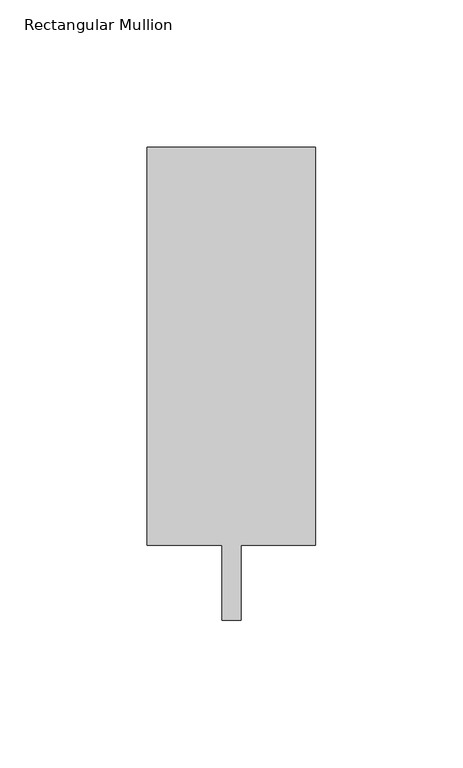
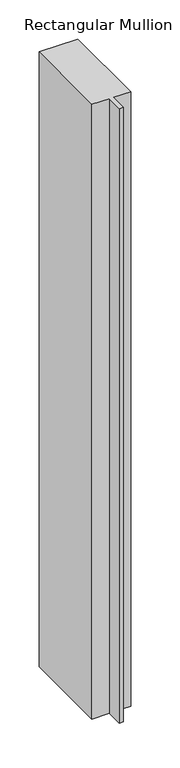
"""IFC4 building model written with IfcOpenShell, lengths in millimetres: member geometry, Rectangular Mullion."""

from ifc_helpers import new_model, si_unit, frame, origin, place, context, project, spatial, polyline, outline, extrude, source, transform, mapped, element, save


def rectangular_mullion_0882e476(model_context):
    return source(origin(), model_context, "Body", "SweptSolid", [
        extrude(outline(polyline([(28.575, 147.6375), (28.575, 12.7), (3.175, 12.7), (3.175, -12.7), (-3.175, -12.7), (-3.175, 12.7), (-28.575, 12.7), (-28.575, 147.6375), (28.575, 147.6375)])), frame((0.0, 0.0, -958.85), z_axis=(0.0, 0.0, 1.0), x_axis=(1.0, 0.0, 0.0)), (0.0, 0.0, 1.0), 958.85),
    ])


if __name__ == "__main__":
    model = new_model("IFC4")
    model_context = context("Model", 3, world=origin())
    ifc_project = project(units=[si_unit("LENGTHUNIT", "METRE", prefix="MILLI")], contexts=[model_context])
    site = spatial("IfcSite", under=ifc_project)
    building = spatial("IfcBuilding", under=site)
    placement = place(None, origin())
    rectangular_mullion_shape = rectangular_mullion_0882e476(model_context)
    element("IfcMember", 1, ObjectType="Rectangular Mullion", at=placement, inside=building, context=model_context, shape_type="MappedRepresentation", body=[
        mapped(rectangular_mullion_shape, transform((0.0, 0.0, 0.0), x_axis=(1.0, 0.0, 0.0), y_axis=(0.0, 1.0, 0.0), z_axis=(0.0, 0.0, 1.0))),
    ])
    save(model, "model.ifc")
